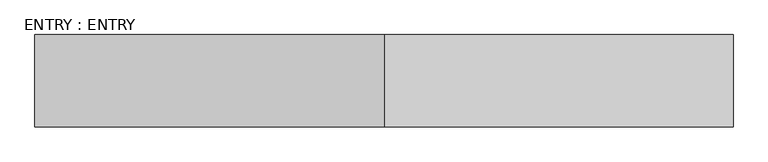
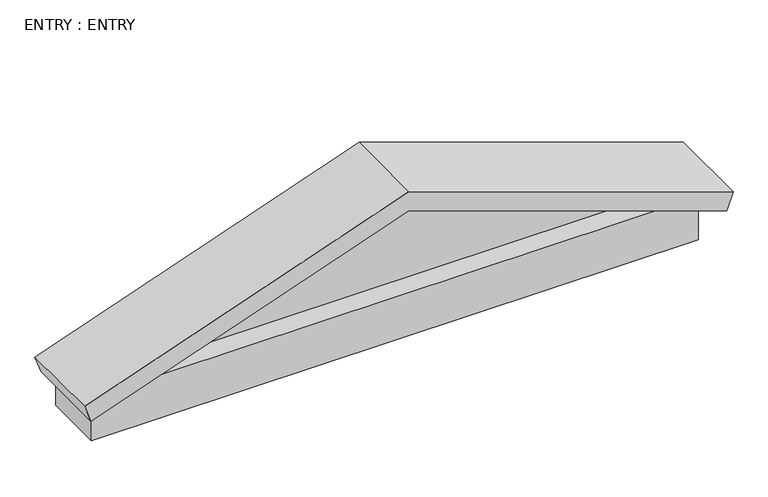
"""IFC4 building model written with IfcOpenShell, lengths in millimetres: proxy geometry, ENTRY : ENTRY."""

import ifcopenshell
import ifcopenshell.guid

model = None  # the IFC model being written
_history = None  # IfcOwnerHistory: only IFC2X3 demands one
_inside = {}  # id of a spatial element -> (the spatial element, [elements in it])
_under = {}  # id of a project, library or spatial element -> (it, [spatial elements below it])
_declared = {}  # id of a project -> (the project, [libraries it declares])
_typed = {}  # id of a type object -> (the type object, [elements of that type])
_made_of = {}  # id of a material, layer set ... -> (it, [elements and type objects made of it])


def new_model(schema):
    """Start an empty IFC model of exactly this schema.

    Asked for "IFC4X3", IfcOpenShell would pick the latest addendum, in which some entities
    have other attributes; the version numbers below select the first issue.
    IFC2X3 requires an IfcOwnerHistory on every rooted entity: one is made here for all.
    """
    global model, _history
    if schema == "IFC4X3":
        model = ifcopenshell.file(schema_version=(4, 3, 0, 0))
    else:
        model = ifcopenshell.file(schema=schema)
    _inside.clear()
    _under.clear()
    _declared.clear()
    _typed.clear()
    _made_of.clear()
    _history = None
    if model.schema == "IFC2X3":
        org = make("IfcOrganization", Name="unknown")
        user = make(
            "IfcPersonAndOrganization",
            ThePerson=make("IfcPerson", FamilyName="unknown"),
            TheOrganization=org,
        )
        app = make(
            "IfcApplication",
            ApplicationDeveloper=org,
            Version="unknown",
            ApplicationFullName="unknown",
            ApplicationIdentifier="unknown",
        )
        _history = make(
            "IfcOwnerHistory",
            OwningUser=user,
            OwningApplication=app,
            ChangeAction="ADDED",
            CreationDate=0,
        )
    return model


def make(cls, **values):
    """One entity of the class cls with the attributes given. An attribute that is None is left unset."""
    return model.create_entity(
        cls, **{name: value for name, value in values.items() if value is not None}
    )


def rooted(cls, **values):
    """An entity with a GlobalId (a new one), such as an element, a storey or a relation."""
    return make(cls, GlobalId=ifcopenshell.guid.new(), OwnerHistory=_history, **values)


def si_unit(unit_type, name, prefix=None):
    """IfcSIUnit, for example si_unit("LENGTHUNIT", "METRE", prefix="MILLI")."""
    return make("IfcSIUnit", UnitType=unit_type, Prefix=prefix, Name=name)


def assignment(units):
    """IfcUnitAssignment: the units of a project."""
    return None if units is None else make("IfcUnitAssignment", Units=units)


def point(xyz):
    """IfcCartesianPoint."""
    return None if xyz is None else make("IfcCartesianPoint", Coordinates=xyz)


def direction(xyz):
    """IfcDirection."""
    return None if xyz is None else make("IfcDirection", DirectionRatios=xyz)


def frame(location, z_axis=None, x_axis=None):
    """IfcAxis2Placement3D, a coordinate frame: its origin and axes. An axis left out is left unset."""
    return make(
        "IfcAxis2Placement3D",
        Location=point(location),
        Axis=direction(z_axis),
        RefDirection=direction(x_axis),
    )


def origin():
    """The frame at (0, 0, 0) with its axes left unset."""
    return frame((0.0, 0.0, 0.0))


def place(relative_to, where):
    """IfcLocalPlacement: puts the frame where relative to a parent placement (None: the world)."""
    return make(
        "IfcLocalPlacement", PlacementRelTo=relative_to, RelativePlacement=where
    )


def context(
    kind, dimensions, precision=None, world=None, true_north=None, identifier=None
):
    """IfcGeometricRepresentationContext, for example the 3D "Model" context."""
    return make(
        "IfcGeometricRepresentationContext",
        ContextIdentifier=identifier,
        ContextType=kind,
        CoordinateSpaceDimension=dimensions,
        Precision=precision,
        WorldCoordinateSystem=world,
        TrueNorth=true_north,
    )


def project(units=None, contexts=None):
    """IfcProject with its units and contexts."""
    return rooted(
        "IfcProject",
        Name="project",
        RepresentationContexts=contexts,
        UnitsInContext=assignment(units),
    )


def spatial(cls, under=None, at=None, **own):
    """A site, building, storey or space (cls), placed at a placement, below another one or the project."""
    s = rooted(cls, ObjectPlacement=at, **own)
    if under is not None:
        _under.setdefault(under.id(), (under, []))[1].append(s)
    return s


def polyline(points):
    """IfcPolyline through the points."""
    return make("IfcPolyline", Points=[point(p) for p in points])


def outline(outer, holes=None, kind="AREA"):
    """IfcArbitraryClosedProfileDef: a profile drawn as a closed curve; with holes, ...WithVoids."""
    if holes is None:
        return make("IfcArbitraryClosedProfileDef", ProfileType=kind, OuterCurve=outer)
    return make(
        "IfcArbitraryProfileDefWithVoids",
        ProfileType=kind,
        OuterCurve=outer,
        InnerCurves=holes,
    )


def extrude(swept, where, along, depth):
    """IfcExtrudedAreaSolid: the profile swept, set in the frame where, extruded along a direction by depth."""
    return make(
        "IfcExtrudedAreaSolid",
        SweptArea=swept,
        Position=where,
        ExtrudedDirection=direction(along),
        Depth=depth,
    )


def shape(context_of_items, identifier, shape_type, items):
    """IfcShapeRepresentation: the items that make up one representation, for example the "Body"."""
    return make(
        "IfcShapeRepresentation",
        ContextOfItems=context_of_items,
        RepresentationIdentifier=identifier,
        RepresentationType=shape_type,
        Items=items,
    )


def source(mapping_origin, context_of_items, identifier, shape_type, items):
    """IfcRepresentationMap: a shape defined once, which mapped items show again and again."""
    return make(
        "IfcRepresentationMap",
        MappingOrigin=mapping_origin,
        MappedRepresentation=shape(context_of_items, identifier, shape_type, items),
    )


def transform(
    local_origin,
    x_axis=None,
    y_axis=None,
    z_axis=None,
    scale=None,
    scale2=None,
    scale3=None,
    uniform=True,
):
    """IfcCartesianTransformationOperator3D, or its non-uniform kind. x_axis, y_axis, z_axis: its Axis1, 2, 3."""
    if uniform:
        return make(
            "IfcCartesianTransformationOperator3D",
            Axis1=direction(x_axis),
            Axis2=direction(y_axis),
            LocalOrigin=point(local_origin),
            Scale=scale,
            Axis3=direction(z_axis),
        )
    return make(
        "IfcCartesianTransformationOperator3DnonUniform",
        Axis1=direction(x_axis),
        Axis2=direction(y_axis),
        LocalOrigin=point(local_origin),
        Scale=scale,
        Axis3=direction(z_axis),
        Scale2=scale2,
        Scale3=scale3,
    )


def mapped(mapping_source, mapping_target):
    """IfcMappedItem: shows the shape of a source again, moved by a transform."""
    return make(
        "IfcMappedItem", MappingSource=mapping_source, MappingTarget=mapping_target
    )


def made_of(thing, what):
    """Note that an element or type object is made of a material, layer set ...; save() writes the relation."""
    if what is not None:
        _made_of.setdefault(what.id(), (what, []))[1].append(thing)
    return thing


def element(
    cls,
    number,
    at=None,
    inside=None,
    cuts=None,
    type_object=None,
    material=None,
    context=None,
    identifier="Body",
    shape_type=None,
    held_by="IfcProductDefinitionShape",
    body=None,
    shapes=None,
    **own,
):
    """One element of the class cls, such as IfcWall. Its Tag is "e" and its number.

    at: its placement. inside: the storey or other place that contains it. cuts: it is an
    opening in that element (IfcRelVoidsElement). A single representation is given by context,
    identifier, shape_type and body (its items); several are given by shapes. held_by: the class
    of the entity that holds the representations. save() writes the other relations.
    """
    e = rooted(cls, Tag="e%d" % number, ObjectPlacement=at, **own)
    if body is not None:
        shapes = [shape(context, identifier, shape_type, body)]
    if shapes is not None:
        e.Representation = make(held_by, Representations=shapes)
    if inside is not None:
        _inside.setdefault(inside.id(), (inside, []))[1].append(e)
    if cuts is not None:
        rooted(
            "IfcRelVoidsElement", RelatingBuildingElement=cuts, RelatedOpeningElement=e
        )
    if type_object is not None:
        _typed.setdefault(type_object.id(), (type_object, []))[1].append(e)
    return made_of(e, material)


def aggregate(whole, parts):
    """IfcRelAggregates: a whole, such as a stair, and the parts it consists of."""
    return rooted("IfcRelAggregates", RelatingObject=whole, RelatedObjects=parts)


def save(model, path):
    """Write the relations noted so far, then the file.

    IfcRelAggregates (storeys below a building ...), IfcRelContainedInSpatialStructure (elements
    in a storey), IfcRelDefinesByType, IfcRelAssociatesMaterial and IfcRelDeclares: one each for
    every whole, place, type object, material and project.
    """
    for whole, parts in _under.values():
        aggregate(whole, parts)
    for where, things in _inside.values():
        rooted(
            "IfcRelContainedInSpatialStructure",
            RelatedElements=things,
            RelatingStructure=where,
        )
    for kind, things in _typed.values():
        rooted("IfcRelDefinesByType", RelatedObjects=things, RelatingType=kind)
    for what, things in _made_of.values():
        rooted("IfcRelAssociatesMaterial", RelatedObjects=things, RelatingMaterial=what)
    for by, libraries in _declared.values():
        rooted("IfcRelDeclares", RelatingContext=by, RelatedDefinitions=libraries)
    model.write(path)


def entry_entry_4c6d0d6d(model_context):
    return source(origin(), model_context, "Body", "SweptSolid", [
        extrude(outline(polyline([(3352.8, -7727.3179115), (2819.4, -9251.3179115), (2819.4, -6203.3179115), (3352.8, -7727.3179115)])), frame((0.0, -10035.8583294, 0.0), z_axis=(0.0, 1.0, 0.0), x_axis=(0.0, 0.0, 1.0)), (0.0, 0.0, 1.0), 203.2),
        extrude(outline(polyline([(2793.8165006, -9324.4136242), (3352.8, -7727.3179115), (2793.8165006, -6130.2221988), (2884.32875, -6098.5429115), (3454.4, -7727.3179115), (2884.32875, -9356.0929115), (2793.8165006, -9324.4136242)])), frame((0.0, -10264.4583294, 0.0), z_axis=(0.0, 1.0, 0.0), x_axis=(0.0, 0.0, 1.0)), (0.0, 0.0, 1.0), 431.8),
        extrude(outline(polyline([(-9251.3179115, -9832.6583294), (-6203.3179115, -9832.6583294), (-6203.3179115, -10142.3345707), (-9251.3179115, -10142.3345707), (-9251.3179115, -9832.6583294)])), frame((0.0, 0.0, 2590.8), z_axis=(0.0, 0.0, 1.0), x_axis=(1.0, 0.0, 0.0)), (0.0, 0.0, 1.0), 228.6),
    ])


if __name__ == "__main__":
    model = new_model("IFC4")
    model_context = context("Model", 3, world=origin())
    ifc_project = project(units=[si_unit("LENGTHUNIT", "METRE", prefix="MILLI")], contexts=[model_context])
    site = spatial("IfcSite", under=ifc_project)
    building = spatial("IfcBuilding", under=site)
    placement = place(None, origin())
    entry_entry_shape = entry_entry_4c6d0d6d(model_context)
    element("IfcBuildingElementProxy", 1, Name="ENTRY : ENTRY", ObjectType="ENTRY : ENTRY", at=placement, inside=building, context=model_context, shape_type="MappedRepresentation", body=[
        mapped(entry_entry_shape, transform((0.0, 0.0, 0.0), x_axis=(1.0, 0.0, 0.0), y_axis=(0.0, 1.0, 0.0), z_axis=(0.0, 0.0, 1.0))),
    ])
    save(model, "model.ifc")
